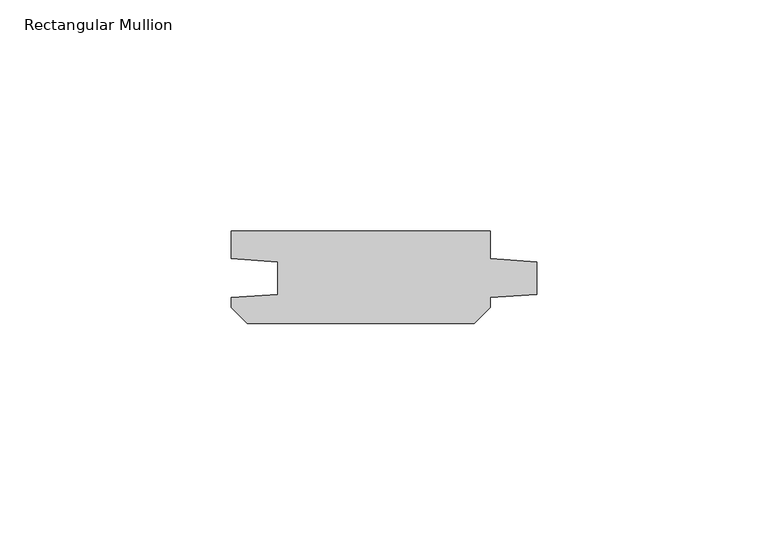
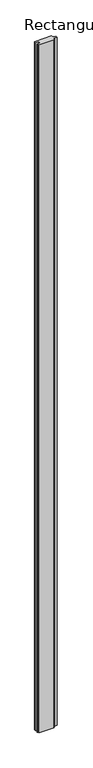
"""IFC4 building model written with IfcOpenShell, lengths in millimetres: member geometry, Rectangular Mullion."""

from ifc_helpers import new_model, si_unit, frame, origin, place, context, project, spatial, polyline, outline, extrude, source, transform, mapped, element, save


def rectangular_mullion_3a518a8e(model_context):
    return source(origin(), model_context, "Body", "SweptSolid", [
        extrude(outline(polyline([(-10.0, 0.0), (-10.0, -5.9651903), (0.0, -6.6644584), (0.0, -13.6642442), (-10.0, -14.3635124), (-10.0, -16.5283124), (-13.4716876, -20.0), (-62.5283124, -20.0), (-66.0, -16.5283124), (-66.0, -14.3635124), (-56.0, -13.6642442), (-56.0, -6.6644584), (-66.0, -5.9651903), (-66.0, 0.0), (-10.0, 0.0)])), frame((0.0, 0.0, -2400.0), z_axis=(0.0, 0.0, 1.0), x_axis=(1.0, 0.0, 0.0)), (0.0, 0.0, 1.0), 2400.0),
    ])


if __name__ == "__main__":
    model = new_model("IFC4")
    model_context = context("Model", 3, world=origin())
    ifc_project = project(units=[si_unit("LENGTHUNIT", "METRE", prefix="MILLI")], contexts=[model_context])
    site = spatial("IfcSite", under=ifc_project)
    building = spatial("IfcBuilding", under=site)
    placement = place(None, origin())
    rectangular_mullion_shape = rectangular_mullion_3a518a8e(model_context)
    element("IfcMember", 1, ObjectType="Rectangular Mullion", at=placement, inside=building, context=model_context, shape_type="MappedRepresentation", body=[
        mapped(rectangular_mullion_shape, transform((0.0, 0.0, 0.0), x_axis=(1.0, 0.0, 0.0), y_axis=(0.0, 1.0, 0.0), z_axis=(0.0, 0.0, 1.0))),
    ])
    save(model, "model.ifc")
